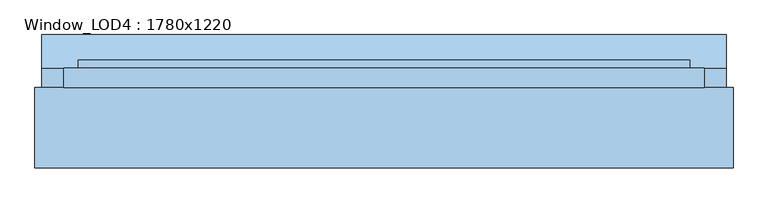
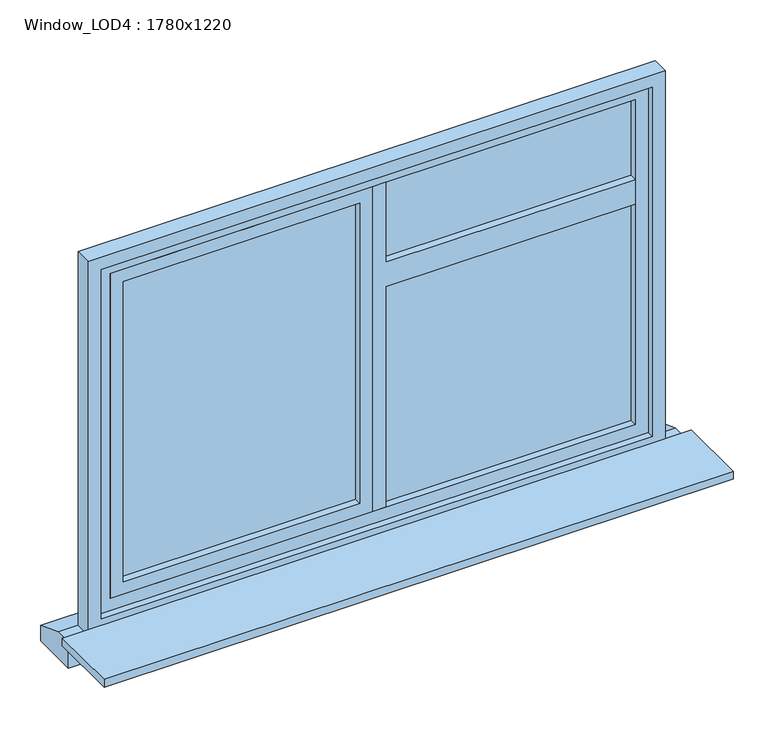
"""IFC4 building model written with IfcOpenShell, lengths in millimetres: window geometry, Window_LOD4 : 1780x1220."""

import ifcopenshell
import ifcopenshell.guid

model = None  # the IFC model being written
_history = None  # IfcOwnerHistory: only IFC2X3 demands one
_inside = {}  # id of a spatial element -> (the spatial element, [elements in it])
_under = {}  # id of a project, library or spatial element -> (it, [spatial elements below it])
_declared = {}  # id of a project -> (the project, [libraries it declares])
_typed = {}  # id of a type object -> (the type object, [elements of that type])
_made_of = {}  # id of a material, layer set ... -> (it, [elements and type objects made of it])


def new_model(schema):
    """Start an empty IFC model of exactly this schema.

    Asked for "IFC4X3", IfcOpenShell would pick the latest addendum, in which some entities
    have other attributes; the version numbers below select the first issue.
    IFC2X3 requires an IfcOwnerHistory on every rooted entity: one is made here for all.
    """
    global model, _history
    if schema == "IFC4X3":
        model = ifcopenshell.file(schema_version=(4, 3, 0, 0))
    else:
        model = ifcopenshell.file(schema=schema)
    _inside.clear()
    _under.clear()
    _declared.clear()
    _typed.clear()
    _made_of.clear()
    _history = None
    if model.schema == "IFC2X3":
        org = make("IfcOrganization", Name="unknown")
        user = make(
            "IfcPersonAndOrganization",
            ThePerson=make("IfcPerson", FamilyName="unknown"),
            TheOrganization=org,
        )
        app = make(
            "IfcApplication",
            ApplicationDeveloper=org,
            Version="unknown",
            ApplicationFullName="unknown",
            ApplicationIdentifier="unknown",
        )
        _history = make(
            "IfcOwnerHistory",
            OwningUser=user,
            OwningApplication=app,
            ChangeAction="ADDED",
            CreationDate=0,
        )
    return model


def make(cls, **values):
    """One entity of the class cls with the attributes given. An attribute that is None is left unset."""
    return model.create_entity(
        cls, **{name: value for name, value in values.items() if value is not None}
    )


def rooted(cls, **values):
    """An entity with a GlobalId (a new one), such as an element, a storey or a relation."""
    return make(cls, GlobalId=ifcopenshell.guid.new(), OwnerHistory=_history, **values)


def si_unit(unit_type, name, prefix=None):
    """IfcSIUnit, for example si_unit("LENGTHUNIT", "METRE", prefix="MILLI")."""
    return make("IfcSIUnit", UnitType=unit_type, Prefix=prefix, Name=name)


def assignment(units):
    """IfcUnitAssignment: the units of a project."""
    return None if units is None else make("IfcUnitAssignment", Units=units)


def point(xyz):
    """IfcCartesianPoint."""
    return None if xyz is None else make("IfcCartesianPoint", Coordinates=xyz)


def direction(xyz):
    """IfcDirection."""
    return None if xyz is None else make("IfcDirection", DirectionRatios=xyz)


def frame(location, z_axis=None, x_axis=None):
    """IfcAxis2Placement3D, a coordinate frame: its origin and axes. An axis left out is left unset."""
    return make(
        "IfcAxis2Placement3D",
        Location=point(location),
        Axis=direction(z_axis),
        RefDirection=direction(x_axis),
    )


def origin():
    """The frame at (0, 0, 0) with its axes left unset."""
    return frame((0.0, 0.0, 0.0))


def place(relative_to, where):
    """IfcLocalPlacement: puts the frame where relative to a parent placement (None: the world)."""
    return make(
        "IfcLocalPlacement", PlacementRelTo=relative_to, RelativePlacement=where
    )


def context(
    kind, dimensions, precision=None, world=None, true_north=None, identifier=None
):
    """IfcGeometricRepresentationContext, for example the 3D "Model" context."""
    return make(
        "IfcGeometricRepresentationContext",
        ContextIdentifier=identifier,
        ContextType=kind,
        CoordinateSpaceDimension=dimensions,
        Precision=precision,
        WorldCoordinateSystem=world,
        TrueNorth=true_north,
    )


def project(units=None, contexts=None):
    """IfcProject with its units and contexts."""
    return rooted(
        "IfcProject",
        Name="project",
        RepresentationContexts=contexts,
        UnitsInContext=assignment(units),
    )


def spatial(cls, under=None, at=None, **own):
    """A site, building, storey or space (cls), placed at a placement, below another one or the project."""
    s = rooted(cls, ObjectPlacement=at, **own)
    if under is not None:
        _under.setdefault(under.id(), (under, []))[1].append(s)
    return s


def polyline(points):
    """IfcPolyline through the points."""
    return make("IfcPolyline", Points=[point(p) for p in points])


def outline(outer, holes=None, kind="AREA"):
    """IfcArbitraryClosedProfileDef: a profile drawn as a closed curve; with holes, ...WithVoids."""
    if holes is None:
        return make("IfcArbitraryClosedProfileDef", ProfileType=kind, OuterCurve=outer)
    return make(
        "IfcArbitraryProfileDefWithVoids",
        ProfileType=kind,
        OuterCurve=outer,
        InnerCurves=holes,
    )


def extrude(swept, where, along, depth):
    """IfcExtrudedAreaSolid: the profile swept, set in the frame where, extruded along a direction by depth."""
    return make(
        "IfcExtrudedAreaSolid",
        SweptArea=swept,
        Position=where,
        ExtrudedDirection=direction(along),
        Depth=depth,
    )


def shape(context_of_items, identifier, shape_type, items):
    """IfcShapeRepresentation: the items that make up one representation, for example the "Body"."""
    return make(
        "IfcShapeRepresentation",
        ContextOfItems=context_of_items,
        RepresentationIdentifier=identifier,
        RepresentationType=shape_type,
        Items=items,
    )


def source(mapping_origin, context_of_items, identifier, shape_type, items):
    """IfcRepresentationMap: a shape defined once, which mapped items show again and again."""
    return make(
        "IfcRepresentationMap",
        MappingOrigin=mapping_origin,
        MappedRepresentation=shape(context_of_items, identifier, shape_type, items),
    )


def transform(
    local_origin,
    x_axis=None,
    y_axis=None,
    z_axis=None,
    scale=None,
    scale2=None,
    scale3=None,
    uniform=True,
):
    """IfcCartesianTransformationOperator3D, or its non-uniform kind. x_axis, y_axis, z_axis: its Axis1, 2, 3."""
    if uniform:
        return make(
            "IfcCartesianTransformationOperator3D",
            Axis1=direction(x_axis),
            Axis2=direction(y_axis),
            LocalOrigin=point(local_origin),
            Scale=scale,
            Axis3=direction(z_axis),
        )
    return make(
        "IfcCartesianTransformationOperator3DnonUniform",
        Axis1=direction(x_axis),
        Axis2=direction(y_axis),
        LocalOrigin=point(local_origin),
        Scale=scale,
        Axis3=direction(z_axis),
        Scale2=scale2,
        Scale3=scale3,
    )


def mapped(mapping_source, mapping_target):
    """IfcMappedItem: shows the shape of a source again, moved by a transform."""
    return make(
        "IfcMappedItem", MappingSource=mapping_source, MappingTarget=mapping_target
    )


def made_of(thing, what):
    """Note that an element or type object is made of a material, layer set ...; save() writes the relation."""
    if what is not None:
        _made_of.setdefault(what.id(), (what, []))[1].append(thing)
    return thing


def element(
    cls,
    number,
    at=None,
    inside=None,
    cuts=None,
    type_object=None,
    material=None,
    context=None,
    identifier="Body",
    shape_type=None,
    held_by="IfcProductDefinitionShape",
    body=None,
    shapes=None,
    **own,
):
    """One element of the class cls, such as IfcWall. Its Tag is "e" and its number.

    at: its placement. inside: the storey or other place that contains it. cuts: it is an
    opening in that element (IfcRelVoidsElement). A single representation is given by context,
    identifier, shape_type and body (its items); several are given by shapes. held_by: the class
    of the entity that holds the representations. save() writes the other relations.
    """
    e = rooted(cls, Tag="e%d" % number, ObjectPlacement=at, **own)
    if body is not None:
        shapes = [shape(context, identifier, shape_type, body)]
    if shapes is not None:
        e.Representation = make(held_by, Representations=shapes)
    if inside is not None:
        _inside.setdefault(inside.id(), (inside, []))[1].append(e)
    if cuts is not None:
        rooted(
            "IfcRelVoidsElement", RelatingBuildingElement=cuts, RelatedOpeningElement=e
        )
    if type_object is not None:
        _typed.setdefault(type_object.id(), (type_object, []))[1].append(e)
    return made_of(e, material)


def aggregate(whole, parts):
    """IfcRelAggregates: a whole, such as a stair, and the parts it consists of."""
    return rooted("IfcRelAggregates", RelatingObject=whole, RelatedObjects=parts)


def save(model, path):
    """Write the relations noted so far, then the file.

    IfcRelAggregates (storeys below a building ...), IfcRelContainedInSpatialStructure (elements
    in a storey), IfcRelDefinesByType, IfcRelAssociatesMaterial and IfcRelDeclares: one each for
    every whole, place, type object, material and project.
    """
    for whole, parts in _under.values():
        aggregate(whole, parts)
    for where, things in _inside.values():
        rooted(
            "IfcRelContainedInSpatialStructure",
            RelatedElements=things,
            RelatingStructure=where,
        )
    for kind, things in _typed.values():
        rooted("IfcRelDefinesByType", RelatedObjects=things, RelatingType=kind)
    for what, things in _made_of.values():
        rooted("IfcRelAssociatesMaterial", RelatedObjects=things, RelatingMaterial=what)
    for by, libraries in _declared.values():
        rooted("IfcRelDeclares", RelatingContext=by, RelatedDefinitions=libraries)
    model.write(path)


def window_lod4_1780x1220_063c6fbf(model_context):
    return source(origin(), model_context, "Body", "SweptSolid", [
        extrude(outline(polyline([(1600.0, 40.0), (1600.0, 810.0000356), (1680.0, 810.0000356), (1680.0, 40.0), (1940.0000489, 40.0), (1940.0000489, 0.0), (880.0, 0.0), (880.0, 40.0), (1600.0, 40.0)])), frame((0.0, 50.0, 0.0), z_axis=(0.0, 1.0, 0.0), x_axis=(0.0, 0.0, 1.0)), (0.0, 0.0, 1.0), 55.0),
        extrude(outline(polyline([(1940.0000489, 0.0), (1940.0000489, -810.0000356), (880.0, -810.0000356), (880.0, 0.0), (1940.0000489, 0.0)]), holes=[polyline([(1900.0000489, -40.0), (920.0, -40.0), (920.0, -770.0000356), (1900.0000489, -770.0000356), (1900.0000489, -40.0)])]), frame((0.0, 50.0, 0.0), z_axis=(0.0, 1.0, 0.0), x_axis=(0.0, 0.0, 1.0)), (0.0, 0.0, 1.0), 55.0),
        extrude(outline(polyline([(810.0000356, 72.5), (40.0, 72.5), (40.0, 82.5), (810.0000356, 82.5), (810.0000356, 72.5)])), frame((0.0, 0.0, 880.0), z_axis=(0.0, 0.0, 1.0), x_axis=(1.0, 0.0, 0.0)), (0.0, 0.0, 1.0), 1060.0000489),
        extrude(outline(polyline([(1980.0000489, -850.0000356), (840.0, -850.0000356), (840.0, 850.0000356), (1980.0000489, 850.0000356), (1980.0000489, -850.0000356)]), holes=[polyline([(1940.0000489, -810.0000356), (1940.0000489, 810.0000356), (880.0, 810.0000356), (880.0, -810.0000356), (1940.0000489, -810.0000356)])]), frame((0.0, 50.0, 0.0), z_axis=(0.0, 1.0, 0.0), x_axis=(0.0, 0.0, 1.0)), (0.0, 0.0, 1.0), 55.0),
        extrude(outline(polyline([(-40.0, 72.5), (-810.0000356, 72.5), (-810.0000356, 82.5), (-40.0, 82.5), (-40.0, 72.5)])), frame((0.0, 0.0, 880.0), z_axis=(0.0, 0.0, 1.0), x_axis=(1.0, 0.0, 0.0)), (0.0, 0.0, 1.0), 1060.0000489),
        extrude(outline(polyline([(82.5, 800.0), (174.7749313, 765.0), (174.7749313, 715.0), (27.5, 715.0), (27.5, 800.0), (82.5, 800.0)])), frame((-951.497375, 0.0, 0.0), z_axis=(1.0, 0.0, 0.0), x_axis=(0.0, 1.0, 0.0)), (0.0, 0.0, 1.0), 1902.99475),
        extrude(outline(polyline([(2020.0000489, -890.0000356), (800.0, -890.0000356), (800.0, 890.0000356), (2020.0000489, 890.0000356), (2020.0000489, -890.0000356)]), holes=[polyline([(1980.0000489, -850.0000356), (1980.0000489, 850.0000356), (840.0, 850.0000356), (840.0, -850.0000356), (1980.0000489, -850.0000356)])]), frame((0.0, 27.5, 0.0), z_axis=(0.0, 1.0, 0.0), x_axis=(0.0, 0.0, 1.0)), (0.0, 0.0, 1.0), 55.0),
        extrude(outline(polyline([(970.0000356, 27.5), (970.0000356, -195.4656872), (-970.0000356, -195.4656872), (-970.0000356, 27.5), (970.0000356, 27.5)])), frame((0.0, 0.0, 795.0), z_axis=(0.0, 0.0, 1.0), x_axis=(1.0, 0.0, 0.0)), (0.0, 0.0, 1.0), 25.0),
    ])


if __name__ == "__main__":
    model = new_model("IFC4")
    model_context = context("Model", 3, world=origin())
    ifc_project = project(units=[si_unit("LENGTHUNIT", "METRE", prefix="MILLI")], contexts=[model_context])
    site = spatial("IfcSite", under=ifc_project)
    building = spatial("IfcBuilding", under=site)
    placement = place(None, origin())
    window_lod4_1780x1220_shape = window_lod4_1780x1220_063c6fbf(model_context)
    element("IfcWindow", 1, ObjectType="Window_LOD4 : 1780x1220", at=placement, inside=building, context=model_context, shape_type="MappedRepresentation", body=[
        mapped(window_lod4_1780x1220_shape, transform((0.0, 0.0, 0.0), x_axis=(1.0, 0.0, 0.0), y_axis=(0.0, 1.0, 0.0), z_axis=(0.0, 0.0, 1.0))),
    ])
    save(model, "model.ifc")
